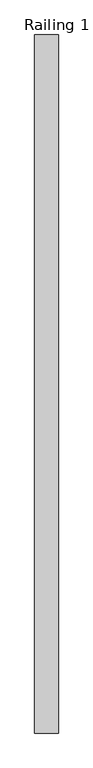
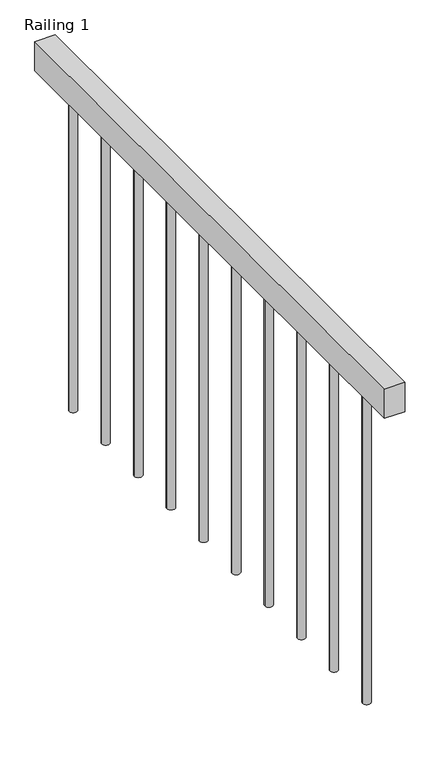
"""IFC4 building model written with IfcOpenShell, lengths in millimetres: railing geometry, Railing 1."""

from ifc_helpers import new_model, si_unit, point, frame, frame_2d, origin, place, context, project, spatial, polyline, circle_curve, trimmed, segment, composite_curve, outline, extrude, source, transform, mapped, element, save


def railing_1_537009b3(model_context):
    return source(origin(), model_context, "Body", "SweptSolid", [
        extrude(outline(polyline([(-970.2190995, 6528.1591595), (-919.4190995, 6528.1591595), (-919.4190995, 5028.1591595), (-970.2190995, 5028.1591595), (-970.2190995, 6528.1591595)])), frame((0.0, 0.0, 3863.8), z_axis=(0.0, 0.0, 1.0), x_axis=(1.0, 0.0, 0.0)), (0.0, 0.0, 1.0), 76.2),
        extrude(outline(composite_curve([segment(trimmed(circle_curve(frame_2d((-944.8190995, 5148.1591595)), 10.0), [point((-934.8190995, 5148.1591595))], [point((-954.8190995, 5148.1591595))], False, "CARTESIAN"), True, "CONTINUOUS"), segment(trimmed(circle_curve(frame_2d((-944.8190995, 5148.1591595)), 10.0), [point((-954.8190995, 5148.1591595))], [point((-934.8190995, 5148.1591595))], False, "CARTESIAN"), True, "CONTINUOUS")], self_intersect=False)), frame((0.0, 0.0, 3040.0), z_axis=(0.0, 0.0, 1.0), x_axis=(1.0, 0.0, 0.0)), (0.0, 0.0, 1.0), 823.8),
        extrude(outline(composite_curve([segment(trimmed(circle_curve(frame_2d((-944.8190995, 5288.1591595)), 10.0), [point((-934.8190995, 5288.1591595))], [point((-954.8190995, 5288.1591595))], False, "CARTESIAN"), True, "CONTINUOUS"), segment(trimmed(circle_curve(frame_2d((-944.8190995, 5288.1591595)), 10.0), [point((-954.8190995, 5288.1591595))], [point((-934.8190995, 5288.1591595))], False, "CARTESIAN"), True, "CONTINUOUS")], self_intersect=False)), frame((0.0, 0.0, 3040.0), z_axis=(0.0, 0.0, 1.0), x_axis=(1.0, 0.0, 0.0)), (0.0, 0.0, 1.0), 823.8),
        extrude(outline(composite_curve([segment(trimmed(circle_curve(frame_2d((-944.8190995, 5428.1591595)), 10.0), [point((-934.8190995, 5428.1591595))], [point((-954.8190995, 5428.1591595))], False, "CARTESIAN"), True, "CONTINUOUS"), segment(trimmed(circle_curve(frame_2d((-944.8190995, 5428.1591595)), 10.0), [point((-954.8190995, 5428.1591595))], [point((-934.8190995, 5428.1591595))], False, "CARTESIAN"), True, "CONTINUOUS")], self_intersect=False)), frame((0.0, 0.0, 3040.0), z_axis=(0.0, 0.0, 1.0), x_axis=(1.0, 0.0, 0.0)), (0.0, 0.0, 1.0), 823.8),
        extrude(outline(composite_curve([segment(trimmed(circle_curve(frame_2d((-944.8190995, 5568.1591595)), 10.0), [point((-934.8190995, 5568.1591595))], [point((-954.8190995, 5568.1591595))], False, "CARTESIAN"), True, "CONTINUOUS"), segment(trimmed(circle_curve(frame_2d((-944.8190995, 5568.1591595)), 10.0), [point((-954.8190995, 5568.1591595))], [point((-934.8190995, 5568.1591595))], False, "CARTESIAN"), True, "CONTINUOUS")], self_intersect=False)), frame((0.0, 0.0, 3040.0), z_axis=(0.0, 0.0, 1.0), x_axis=(1.0, 0.0, 0.0)), (0.0, 0.0, 1.0), 823.8),
        extrude(outline(composite_curve([segment(trimmed(circle_curve(frame_2d((-944.8190995, 5708.1591595)), 10.0), [point((-934.8190995, 5708.1591595))], [point((-954.8190995, 5708.1591595))], False, "CARTESIAN"), True, "CONTINUOUS"), segment(trimmed(circle_curve(frame_2d((-944.8190995, 5708.1591595)), 10.0), [point((-954.8190995, 5708.1591595))], [point((-934.8190995, 5708.1591595))], False, "CARTESIAN"), True, "CONTINUOUS")], self_intersect=False)), frame((0.0, 0.0, 3040.0), z_axis=(0.0, 0.0, 1.0), x_axis=(1.0, 0.0, 0.0)), (0.0, 0.0, 1.0), 823.8),
        extrude(outline(composite_curve([segment(trimmed(circle_curve(frame_2d((-944.8190995, 5848.1591595)), 10.0), [point((-934.8190995, 5848.1591595))], [point((-954.8190995, 5848.1591595))], False, "CARTESIAN"), True, "CONTINUOUS"), segment(trimmed(circle_curve(frame_2d((-944.8190995, 5848.1591595)), 10.0), [point((-954.8190995, 5848.1591595))], [point((-934.8190995, 5848.1591595))], False, "CARTESIAN"), True, "CONTINUOUS")], self_intersect=False)), frame((0.0, 0.0, 3040.0), z_axis=(0.0, 0.0, 1.0), x_axis=(1.0, 0.0, 0.0)), (0.0, 0.0, 1.0), 823.8),
        extrude(outline(composite_curve([segment(trimmed(circle_curve(frame_2d((-944.8190995, 5988.1591595)), 10.0), [point((-934.8190995, 5988.1591595))], [point((-954.8190995, 5988.1591595))], False, "CARTESIAN"), True, "CONTINUOUS"), segment(trimmed(circle_curve(frame_2d((-944.8190995, 5988.1591595)), 10.0), [point((-954.8190995, 5988.1591595))], [point((-934.8190995, 5988.1591595))], False, "CARTESIAN"), True, "CONTINUOUS")], self_intersect=False)), frame((0.0, 0.0, 3040.0), z_axis=(0.0, 0.0, 1.0), x_axis=(1.0, 0.0, 0.0)), (0.0, 0.0, 1.0), 823.8),
        extrude(outline(composite_curve([segment(trimmed(circle_curve(frame_2d((-944.8190995, 6128.1591595)), 10.0), [point((-934.8190995, 6128.1591595))], [point((-954.8190995, 6128.1591595))], False, "CARTESIAN"), True, "CONTINUOUS"), segment(trimmed(circle_curve(frame_2d((-944.8190995, 6128.1591595)), 10.0), [point((-954.8190995, 6128.1591595))], [point((-934.8190995, 6128.1591595))], False, "CARTESIAN"), True, "CONTINUOUS")], self_intersect=False)), frame((0.0, 0.0, 3040.0), z_axis=(0.0, 0.0, 1.0), x_axis=(1.0, 0.0, 0.0)), (0.0, 0.0, 1.0), 823.8),
        extrude(outline(composite_curve([segment(trimmed(circle_curve(frame_2d((-944.8190995, 6268.1591595)), 10.0), [point((-934.8190995, 6268.1591595))], [point((-954.8190995, 6268.1591595))], False, "CARTESIAN"), True, "CONTINUOUS"), segment(trimmed(circle_curve(frame_2d((-944.8190995, 6268.1591595)), 10.0), [point((-954.8190995, 6268.1591595))], [point((-934.8190995, 6268.1591595))], False, "CARTESIAN"), True, "CONTINUOUS")], self_intersect=False)), frame((0.0, 0.0, 3040.0), z_axis=(0.0, 0.0, 1.0), x_axis=(1.0, 0.0, 0.0)), (0.0, 0.0, 1.0), 823.8),
        extrude(outline(composite_curve([segment(trimmed(circle_curve(frame_2d((-944.8190995, 6408.1591595)), 10.0), [point((-934.8190995, 6408.1591595))], [point((-954.8190995, 6408.1591595))], False, "CARTESIAN"), True, "CONTINUOUS"), segment(trimmed(circle_curve(frame_2d((-944.8190995, 6408.1591595)), 10.0), [point((-954.8190995, 6408.1591595))], [point((-934.8190995, 6408.1591595))], False, "CARTESIAN"), True, "CONTINUOUS")], self_intersect=False)), frame((0.0, 0.0, 3040.0), z_axis=(0.0, 0.0, 1.0), x_axis=(1.0, 0.0, 0.0)), (0.0, 0.0, 1.0), 823.8),
    ])


if __name__ == "__main__":
    model = new_model("IFC4")
    model_context = context("Model", 3, world=origin())
    ifc_project = project(units=[si_unit("LENGTHUNIT", "METRE", prefix="MILLI")], contexts=[model_context])
    site = spatial("IfcSite", under=ifc_project)
    building = spatial("IfcBuilding", under=site)
    placement = place(None, origin())
    railing_1_shape = railing_1_537009b3(model_context)
    element("IfcRailing", 1, ObjectType="Railing 1", at=placement, inside=building, context=model_context, shape_type="MappedRepresentation", body=[
        mapped(railing_1_shape, transform((0.0, 0.0, 0.0), x_axis=(1.0, 0.0, 0.0), y_axis=(0.0, 1.0, 0.0), z_axis=(0.0, 0.0, 1.0))),
    ])
    save(model, "model.ifc")
